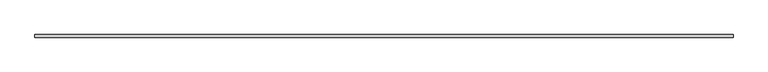
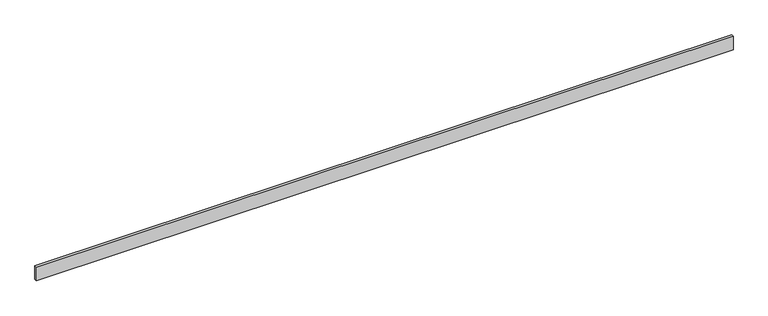
"""IFC4 building model written with IfcOpenShell, lengths in millimetres: beam geometry."""

from ifc_helpers import new_model, si_unit, frame, origin, place, context, project, spatial, polyline, outline, extrude, source, transform, mapped, element, save


def beam_1cb24a00(model_context):
    return source(origin(), model_context, "Body", "SweptSolid", [
        extrude(outline(polyline([(4850.0, -18.0), (-4850.0, -18.0), (-4850.0, 18.0), (4850.0, 18.0), (4850.0, -18.0)])), frame((0.0, 0.0, -100.0), z_axis=(0.0, 0.0, 1.0), x_axis=(1.0, 0.0, 0.0)), (0.0, 0.0, 1.0), 200.0),
    ])


if __name__ == "__main__":
    model = new_model("IFC4")
    model_context = context("Model", 3, world=origin())
    ifc_project = project(units=[si_unit("LENGTHUNIT", "METRE", prefix="MILLI")], contexts=[model_context])
    site = spatial("IfcSite", under=ifc_project)
    building = spatial("IfcBuilding", under=site)
    placement = place(None, origin())
    beam_shape = beam_1cb24a00(model_context)
    element("IfcBeam", 1, at=placement, inside=building, context=model_context, shape_type="MappedRepresentation", body=[
        mapped(beam_shape, transform((0.0, 0.0, 0.0), x_axis=(1.0, 0.0, 0.0), y_axis=(0.0, 1.0, 0.0), z_axis=(0.0, 0.0, 1.0))),
    ])
    save(model, "model.ifc")
